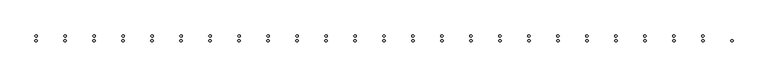
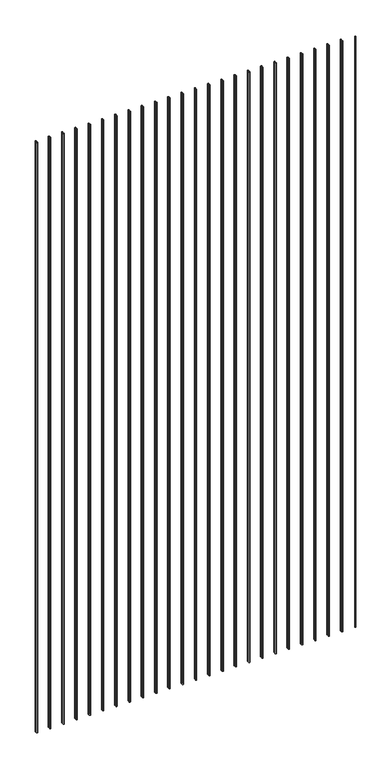
"""IFC4 building model written with IfcOpenShell, lengths in millimetres: railing geometry."""

from ifc_helpers import new_model, si_unit, point, frame, frame_2d, origin, place, context, project, spatial, circle_curve, trimmed, segment, composite_curve, outline, extrude, source, transform, mapped, element, save


def railing_f16c2621(model_context):
    return source(origin(), model_context, "Body", "SweptSolid", [
        extrude(outline(composite_curve([segment(trimmed(circle_curve(frame_2d((2255.44399, -1802.8508363)), 2.0574), [point((2255.44399, -1800.7934363))], [point((2255.44399, -1804.9082363))], False, "CARTESIAN"), True, "CONTINUOUS"), segment(trimmed(circle_curve(frame_2d((2255.44399, -1802.8508363)), 2.0574), [point((2255.44399, -1804.9082363))], [point((2255.44399, -1800.7934363))], False, "CARTESIAN"), True, "CONTINUOUS")], self_intersect=False)), frame((0.0, 0.0, 7620.0), z_axis=(0.0, 0.0, 1.0), x_axis=(1.0, 0.0, 0.0)), (0.0, 0.0, 1.0), 2438.4),
        extrude(outline(composite_curve([segment(trimmed(circle_curve(frame_2d((2203.563139, -1794.6212363)), 2.0574), [point((2203.563139, -1796.6786363))], [point((2203.563139, -1792.5638363))], False, "CARTESIAN"), True, "CONTINUOUS"), segment(trimmed(circle_curve(frame_2d((2203.563139, -1794.6212363)), 2.0574), [point((2203.563139, -1792.5638363))], [point((2203.563139, -1796.6786363))], False, "CARTESIAN"), True, "CONTINUOUS")], self_intersect=False)), frame((0.0, 0.0, 7620.0), z_axis=(0.0, 0.0, 1.0), x_axis=(1.0, 0.0, 0.0)), (0.0, 0.0, 1.0), 2438.4),
        extrude(outline(composite_curve([segment(trimmed(circle_curve(frame_2d((2203.563139, -1802.8508363)), 2.0574), [point((2203.563139, -1800.7934363))], [point((2203.563139, -1804.9082363))], False, "CARTESIAN"), True, "CONTINUOUS"), segment(trimmed(circle_curve(frame_2d((2203.563139, -1802.8508363)), 2.0574), [point((2203.563139, -1804.9082363))], [point((2203.563139, -1800.7934363))], False, "CARTESIAN"), True, "CONTINUOUS")], self_intersect=False)), frame((0.0, 0.0, 7620.0), z_axis=(0.0, 0.0, 1.0), x_axis=(1.0, 0.0, 0.0)), (0.0, 0.0, 1.0), 2438.4),
        extrude(outline(composite_curve([segment(trimmed(circle_curve(frame_2d((2151.6822879, -1794.6212363)), 2.0574), [point((2151.6822879, -1796.6786363))], [point((2151.6822879, -1792.5638363))], False, "CARTESIAN"), True, "CONTINUOUS"), segment(trimmed(circle_curve(frame_2d((2151.6822879, -1794.6212363)), 2.0574), [point((2151.6822879, -1792.5638363))], [point((2151.6822879, -1796.6786363))], False, "CARTESIAN"), True, "CONTINUOUS")], self_intersect=False)), frame((0.0, 0.0, 7620.0), z_axis=(0.0, 0.0, 1.0), x_axis=(1.0, 0.0, 0.0)), (0.0, 0.0, 1.0), 2438.4),
        extrude(outline(composite_curve([segment(trimmed(circle_curve(frame_2d((2151.6822879, -1802.8508363)), 2.0574), [point((2151.6822879, -1800.7934363))], [point((2151.6822879, -1804.9082363))], False, "CARTESIAN"), True, "CONTINUOUS"), segment(trimmed(circle_curve(frame_2d((2151.6822879, -1802.8508363)), 2.0574), [point((2151.6822879, -1804.9082363))], [point((2151.6822879, -1800.7934363))], False, "CARTESIAN"), True, "CONTINUOUS")], self_intersect=False)), frame((0.0, 0.0, 7620.0), z_axis=(0.0, 0.0, 1.0), x_axis=(1.0, 0.0, 0.0)), (0.0, 0.0, 1.0), 2438.4),
        extrude(outline(composite_curve([segment(trimmed(circle_curve(frame_2d((2099.8014369, -1794.6212363)), 2.0574), [point((2099.8014369, -1796.6786363))], [point((2099.8014369, -1792.5638363))], False, "CARTESIAN"), True, "CONTINUOUS"), segment(trimmed(circle_curve(frame_2d((2099.8014369, -1794.6212363)), 2.0574), [point((2099.8014369, -1792.5638363))], [point((2099.8014369, -1796.6786363))], False, "CARTESIAN"), True, "CONTINUOUS")], self_intersect=False)), frame((0.0, 0.0, 7620.0), z_axis=(0.0, 0.0, 1.0), x_axis=(1.0, 0.0, 0.0)), (0.0, 0.0, 1.0), 2438.4),
        extrude(outline(composite_curve([segment(trimmed(circle_curve(frame_2d((2099.8014369, -1802.8508363)), 2.0574), [point((2099.8014369, -1800.7934363))], [point((2099.8014369, -1804.9082363))], False, "CARTESIAN"), True, "CONTINUOUS"), segment(trimmed(circle_curve(frame_2d((2099.8014369, -1802.8508363)), 2.0574), [point((2099.8014369, -1804.9082363))], [point((2099.8014369, -1800.7934363))], False, "CARTESIAN"), True, "CONTINUOUS")], self_intersect=False)), frame((0.0, 0.0, 7620.0), z_axis=(0.0, 0.0, 1.0), x_axis=(1.0, 0.0, 0.0)), (0.0, 0.0, 1.0), 2438.4),
        extrude(outline(composite_curve([segment(trimmed(circle_curve(frame_2d((2047.9205858, -1794.6212363)), 2.0574), [point((2047.9205858, -1796.6786363))], [point((2047.9205858, -1792.5638363))], False, "CARTESIAN"), True, "CONTINUOUS"), segment(trimmed(circle_curve(frame_2d((2047.9205858, -1794.6212363)), 2.0574), [point((2047.9205858, -1792.5638363))], [point((2047.9205858, -1796.6786363))], False, "CARTESIAN"), True, "CONTINUOUS")], self_intersect=False)), frame((0.0, 0.0, 7620.0), z_axis=(0.0, 0.0, 1.0), x_axis=(1.0, 0.0, 0.0)), (0.0, 0.0, 1.0), 2438.4),
        extrude(outline(composite_curve([segment(trimmed(circle_curve(frame_2d((2047.9205858, -1802.8508363)), 2.0574), [point((2047.9205858, -1800.7934363))], [point((2047.9205858, -1804.9082363))], False, "CARTESIAN"), True, "CONTINUOUS"), segment(trimmed(circle_curve(frame_2d((2047.9205858, -1802.8508363)), 2.0574), [point((2047.9205858, -1804.9082363))], [point((2047.9205858, -1800.7934363))], False, "CARTESIAN"), True, "CONTINUOUS")], self_intersect=False)), frame((0.0, 0.0, 7620.0), z_axis=(0.0, 0.0, 1.0), x_axis=(1.0, 0.0, 0.0)), (0.0, 0.0, 1.0), 2438.4),
        extrude(outline(composite_curve([segment(trimmed(circle_curve(frame_2d((1996.0397347, -1794.6212363)), 2.0574), [point((1996.0397347, -1796.6786363))], [point((1996.0397347, -1792.5638363))], False, "CARTESIAN"), True, "CONTINUOUS"), segment(trimmed(circle_curve(frame_2d((1996.0397347, -1794.6212363)), 2.0574), [point((1996.0397347, -1792.5638363))], [point((1996.0397347, -1796.6786363))], False, "CARTESIAN"), True, "CONTINUOUS")], self_intersect=False)), frame((0.0, 0.0, 7620.0), z_axis=(0.0, 0.0, 1.0), x_axis=(1.0, 0.0, 0.0)), (0.0, 0.0, 1.0), 2438.4),
        extrude(outline(composite_curve([segment(trimmed(circle_curve(frame_2d((1996.0397347, -1802.8508363)), 2.0574), [point((1996.0397347, -1800.7934363))], [point((1996.0397347, -1804.9082363))], False, "CARTESIAN"), True, "CONTINUOUS"), segment(trimmed(circle_curve(frame_2d((1996.0397347, -1802.8508363)), 2.0574), [point((1996.0397347, -1804.9082363))], [point((1996.0397347, -1800.7934363))], False, "CARTESIAN"), True, "CONTINUOUS")], self_intersect=False)), frame((0.0, 0.0, 7620.0), z_axis=(0.0, 0.0, 1.0), x_axis=(1.0, 0.0, 0.0)), (0.0, 0.0, 1.0), 2438.4),
        extrude(outline(composite_curve([segment(trimmed(circle_curve(frame_2d((1944.1588837, -1794.6212363)), 2.0574), [point((1944.1588837, -1796.6786363))], [point((1944.1588837, -1792.5638363))], False, "CARTESIAN"), True, "CONTINUOUS"), segment(trimmed(circle_curve(frame_2d((1944.1588837, -1794.6212363)), 2.0574), [point((1944.1588837, -1792.5638363))], [point((1944.1588837, -1796.6786363))], False, "CARTESIAN"), True, "CONTINUOUS")], self_intersect=False)), frame((0.0, 0.0, 7620.0), z_axis=(0.0, 0.0, 1.0), x_axis=(1.0, 0.0, 0.0)), (0.0, 0.0, 1.0), 2438.4),
        extrude(outline(composite_curve([segment(trimmed(circle_curve(frame_2d((1944.1588837, -1802.8508363)), 2.0574), [point((1944.1588837, -1800.7934363))], [point((1944.1588837, -1804.9082363))], False, "CARTESIAN"), True, "CONTINUOUS"), segment(trimmed(circle_curve(frame_2d((1944.1588837, -1802.8508363)), 2.0574), [point((1944.1588837, -1804.9082363))], [point((1944.1588837, -1800.7934363))], False, "CARTESIAN"), True, "CONTINUOUS")], self_intersect=False)), frame((0.0, 0.0, 7620.0), z_axis=(0.0, 0.0, 1.0), x_axis=(1.0, 0.0, 0.0)), (0.0, 0.0, 1.0), 2438.4),
        extrude(outline(composite_curve([segment(trimmed(circle_curve(frame_2d((1892.2780326, -1794.6212363)), 2.0574), [point((1892.2780326, -1796.6786363))], [point((1892.2780326, -1792.5638363))], False, "CARTESIAN"), True, "CONTINUOUS"), segment(trimmed(circle_curve(frame_2d((1892.2780326, -1794.6212363)), 2.0574), [point((1892.2780326, -1792.5638363))], [point((1892.2780326, -1796.6786363))], False, "CARTESIAN"), True, "CONTINUOUS")], self_intersect=False)), frame((0.0, 0.0, 7620.0), z_axis=(0.0, 0.0, 1.0), x_axis=(1.0, 0.0, 0.0)), (0.0, 0.0, 1.0), 2438.4),
        extrude(outline(composite_curve([segment(trimmed(circle_curve(frame_2d((1892.2780326, -1802.8508363)), 2.0574), [point((1892.2780326, -1800.7934363))], [point((1892.2780326, -1804.9082363))], False, "CARTESIAN"), True, "CONTINUOUS"), segment(trimmed(circle_curve(frame_2d((1892.2780326, -1802.8508363)), 2.0574), [point((1892.2780326, -1804.9082363))], [point((1892.2780326, -1800.7934363))], False, "CARTESIAN"), True, "CONTINUOUS")], self_intersect=False)), frame((0.0, 0.0, 7620.0), z_axis=(0.0, 0.0, 1.0), x_axis=(1.0, 0.0, 0.0)), (0.0, 0.0, 1.0), 2438.4),
        extrude(outline(composite_curve([segment(trimmed(circle_curve(frame_2d((1840.3971815, -1794.6212363)), 2.0574), [point((1840.3971815, -1796.6786363))], [point((1840.3971815, -1792.5638363))], False, "CARTESIAN"), True, "CONTINUOUS"), segment(trimmed(circle_curve(frame_2d((1840.3971815, -1794.6212363)), 2.0574), [point((1840.3971815, -1792.5638363))], [point((1840.3971815, -1796.6786363))], False, "CARTESIAN"), True, "CONTINUOUS")], self_intersect=False)), frame((0.0, 0.0, 7620.0), z_axis=(0.0, 0.0, 1.0), x_axis=(1.0, 0.0, 0.0)), (0.0, 0.0, 1.0), 2438.4),
        extrude(outline(composite_curve([segment(trimmed(circle_curve(frame_2d((1840.3971815, -1802.8508363)), 2.0574), [point((1840.3971815, -1800.7934363))], [point((1840.3971815, -1804.9082363))], False, "CARTESIAN"), True, "CONTINUOUS"), segment(trimmed(circle_curve(frame_2d((1840.3971815, -1802.8508363)), 2.0574), [point((1840.3971815, -1804.9082363))], [point((1840.3971815, -1800.7934363))], False, "CARTESIAN"), True, "CONTINUOUS")], self_intersect=False)), frame((0.0, 0.0, 7620.0), z_axis=(0.0, 0.0, 1.0), x_axis=(1.0, 0.0, 0.0)), (0.0, 0.0, 1.0), 2438.4),
        extrude(outline(composite_curve([segment(trimmed(circle_curve(frame_2d((1788.5163305, -1794.6212363)), 2.0574), [point((1788.5163305, -1796.6786363))], [point((1788.5163305, -1792.5638363))], False, "CARTESIAN"), True, "CONTINUOUS"), segment(trimmed(circle_curve(frame_2d((1788.5163305, -1794.6212363)), 2.0574), [point((1788.5163305, -1792.5638363))], [point((1788.5163305, -1796.6786363))], False, "CARTESIAN"), True, "CONTINUOUS")], self_intersect=False)), frame((0.0, 0.0, 7620.0), z_axis=(0.0, 0.0, 1.0), x_axis=(1.0, 0.0, 0.0)), (0.0, 0.0, 1.0), 2438.4),
        extrude(outline(composite_curve([segment(trimmed(circle_curve(frame_2d((1788.5163305, -1802.8508363)), 2.0574), [point((1788.5163305, -1800.7934363))], [point((1788.5163305, -1804.9082363))], False, "CARTESIAN"), True, "CONTINUOUS"), segment(trimmed(circle_curve(frame_2d((1788.5163305, -1802.8508363)), 2.0574), [point((1788.5163305, -1804.9082363))], [point((1788.5163305, -1800.7934363))], False, "CARTESIAN"), True, "CONTINUOUS")], self_intersect=False)), frame((0.0, 0.0, 7620.0), z_axis=(0.0, 0.0, 1.0), x_axis=(1.0, 0.0, 0.0)), (0.0, 0.0, 1.0), 2438.4),
        extrude(outline(composite_curve([segment(trimmed(circle_curve(frame_2d((1736.6354794, -1794.6212363)), 2.0574), [point((1736.6354794, -1796.6786363))], [point((1736.6354794, -1792.5638363))], False, "CARTESIAN"), True, "CONTINUOUS"), segment(trimmed(circle_curve(frame_2d((1736.6354794, -1794.6212363)), 2.0574), [point((1736.6354794, -1792.5638363))], [point((1736.6354794, -1796.6786363))], False, "CARTESIAN"), True, "CONTINUOUS")], self_intersect=False)), frame((0.0, 0.0, 7620.0), z_axis=(0.0, 0.0, 1.0), x_axis=(1.0, 0.0, 0.0)), (0.0, 0.0, 1.0), 2438.4),
        extrude(outline(composite_curve([segment(trimmed(circle_curve(frame_2d((1736.6354794, -1802.8508363)), 2.0574), [point((1736.6354794, -1800.7934363))], [point((1736.6354794, -1804.9082363))], False, "CARTESIAN"), True, "CONTINUOUS"), segment(trimmed(circle_curve(frame_2d((1736.6354794, -1802.8508363)), 2.0574), [point((1736.6354794, -1804.9082363))], [point((1736.6354794, -1800.7934363))], False, "CARTESIAN"), True, "CONTINUOUS")], self_intersect=False)), frame((0.0, 0.0, 7620.0), z_axis=(0.0, 0.0, 1.0), x_axis=(1.0, 0.0, 0.0)), (0.0, 0.0, 1.0), 2438.4),
        extrude(outline(composite_curve([segment(trimmed(circle_curve(frame_2d((1684.7546283, -1794.6212363)), 2.0574), [point((1684.7546283, -1796.6786363))], [point((1684.7546283, -1792.5638363))], False, "CARTESIAN"), True, "CONTINUOUS"), segment(trimmed(circle_curve(frame_2d((1684.7546283, -1794.6212363)), 2.0574), [point((1684.7546283, -1792.5638363))], [point((1684.7546283, -1796.6786363))], False, "CARTESIAN"), True, "CONTINUOUS")], self_intersect=False)), frame((0.0, 0.0, 7620.0), z_axis=(0.0, 0.0, 1.0), x_axis=(1.0, 0.0, 0.0)), (0.0, 0.0, 1.0), 2438.4),
        extrude(outline(composite_curve([segment(trimmed(circle_curve(frame_2d((1684.7546283, -1802.8508363)), 2.0574), [point((1684.7546283, -1800.7934363))], [point((1684.7546283, -1804.9082363))], False, "CARTESIAN"), True, "CONTINUOUS"), segment(trimmed(circle_curve(frame_2d((1684.7546283, -1802.8508363)), 2.0574), [point((1684.7546283, -1804.9082363))], [point((1684.7546283, -1800.7934363))], False, "CARTESIAN"), True, "CONTINUOUS")], self_intersect=False)), frame((0.0, 0.0, 7620.0), z_axis=(0.0, 0.0, 1.0), x_axis=(1.0, 0.0, 0.0)), (0.0, 0.0, 1.0), 2438.4),
        extrude(outline(composite_curve([segment(trimmed(circle_curve(frame_2d((1632.8737773, -1794.6212363)), 2.0574), [point((1632.8737773, -1796.6786363))], [point((1632.8737773, -1792.5638363))], False, "CARTESIAN"), True, "CONTINUOUS"), segment(trimmed(circle_curve(frame_2d((1632.8737773, -1794.6212363)), 2.0574), [point((1632.8737773, -1792.5638363))], [point((1632.8737773, -1796.6786363))], False, "CARTESIAN"), True, "CONTINUOUS")], self_intersect=False)), frame((0.0, 0.0, 7620.0), z_axis=(0.0, 0.0, 1.0), x_axis=(1.0, 0.0, 0.0)), (0.0, 0.0, 1.0), 2438.4),
        extrude(outline(composite_curve([segment(trimmed(circle_curve(frame_2d((1632.8737773, -1802.8508363)), 2.0574), [point((1632.8737773, -1800.7934363))], [point((1632.8737773, -1804.9082363))], False, "CARTESIAN"), True, "CONTINUOUS"), segment(trimmed(circle_curve(frame_2d((1632.8737773, -1802.8508363)), 2.0574), [point((1632.8737773, -1804.9082363))], [point((1632.8737773, -1800.7934363))], False, "CARTESIAN"), True, "CONTINUOUS")], self_intersect=False)), frame((0.0, 0.0, 7620.0), z_axis=(0.0, 0.0, 1.0), x_axis=(1.0, 0.0, 0.0)), (0.0, 0.0, 1.0), 2438.4),
        extrude(outline(composite_curve([segment(trimmed(circle_curve(frame_2d((1580.9929262, -1794.6212363)), 2.0574), [point((1580.9929262, -1796.6786363))], [point((1580.9929262, -1792.5638363))], False, "CARTESIAN"), True, "CONTINUOUS"), segment(trimmed(circle_curve(frame_2d((1580.9929262, -1794.6212363)), 2.0574), [point((1580.9929262, -1792.5638363))], [point((1580.9929262, -1796.6786363))], False, "CARTESIAN"), True, "CONTINUOUS")], self_intersect=False)), frame((0.0, 0.0, 7620.0), z_axis=(0.0, 0.0, 1.0), x_axis=(1.0, 0.0, 0.0)), (0.0, 0.0, 1.0), 2438.4),
        extrude(outline(composite_curve([segment(trimmed(circle_curve(frame_2d((1580.9929262, -1802.8508363)), 2.0574), [point((1580.9929262, -1800.7934363))], [point((1580.9929262, -1804.9082363))], False, "CARTESIAN"), True, "CONTINUOUS"), segment(trimmed(circle_curve(frame_2d((1580.9929262, -1802.8508363)), 2.0574), [point((1580.9929262, -1804.9082363))], [point((1580.9929262, -1800.7934363))], False, "CARTESIAN"), True, "CONTINUOUS")], self_intersect=False)), frame((0.0, 0.0, 7620.0), z_axis=(0.0, 0.0, 1.0), x_axis=(1.0, 0.0, 0.0)), (0.0, 0.0, 1.0), 2438.4),
        extrude(outline(composite_curve([segment(trimmed(circle_curve(frame_2d((1529.1120752, -1794.6212363)), 2.0574), [point((1529.1120752, -1796.6786363))], [point((1529.1120752, -1792.5638363))], False, "CARTESIAN"), True, "CONTINUOUS"), segment(trimmed(circle_curve(frame_2d((1529.1120752, -1794.6212363)), 2.0574), [point((1529.1120752, -1792.5638363))], [point((1529.1120752, -1796.6786363))], False, "CARTESIAN"), True, "CONTINUOUS")], self_intersect=False)), frame((0.0, 0.0, 7620.0), z_axis=(0.0, 0.0, 1.0), x_axis=(1.0, 0.0, 0.0)), (0.0, 0.0, 1.0), 2438.4),
        extrude(outline(composite_curve([segment(trimmed(circle_curve(frame_2d((1529.1120752, -1802.8508363)), 2.0574), [point((1529.1120752, -1800.7934363))], [point((1529.1120752, -1804.9082363))], False, "CARTESIAN"), True, "CONTINUOUS"), segment(trimmed(circle_curve(frame_2d((1529.1120752, -1802.8508363)), 2.0574), [point((1529.1120752, -1804.9082363))], [point((1529.1120752, -1800.7934363))], False, "CARTESIAN"), True, "CONTINUOUS")], self_intersect=False)), frame((0.0, 0.0, 7620.0), z_axis=(0.0, 0.0, 1.0), x_axis=(1.0, 0.0, 0.0)), (0.0, 0.0, 1.0), 2438.4),
        extrude(outline(composite_curve([segment(trimmed(circle_curve(frame_2d((1477.2312241, -1794.6212363)), 2.0574), [point((1477.2312241, -1796.6786363))], [point((1477.2312241, -1792.5638363))], False, "CARTESIAN"), True, "CONTINUOUS"), segment(trimmed(circle_curve(frame_2d((1477.2312241, -1794.6212363)), 2.0574), [point((1477.2312241, -1792.5638363))], [point((1477.2312241, -1796.6786363))], False, "CARTESIAN"), True, "CONTINUOUS")], self_intersect=False)), frame((0.0, 0.0, 7620.0), z_axis=(0.0, 0.0, 1.0), x_axis=(1.0, 0.0, 0.0)), (0.0, 0.0, 1.0), 2438.4),
        extrude(outline(composite_curve([segment(trimmed(circle_curve(frame_2d((1477.2312241, -1802.8508363)), 2.0574), [point((1477.2312241, -1800.7934363))], [point((1477.2312241, -1804.9082363))], False, "CARTESIAN"), True, "CONTINUOUS"), segment(trimmed(circle_curve(frame_2d((1477.2312241, -1802.8508363)), 2.0574), [point((1477.2312241, -1804.9082363))], [point((1477.2312241, -1800.7934363))], False, "CARTESIAN"), True, "CONTINUOUS")], self_intersect=False)), frame((0.0, 0.0, 7620.0), z_axis=(0.0, 0.0, 1.0), x_axis=(1.0, 0.0, 0.0)), (0.0, 0.0, 1.0), 2438.4),
        extrude(outline(composite_curve([segment(trimmed(circle_curve(frame_2d((1425.350373, -1794.6212363)), 2.0574), [point((1425.350373, -1796.6786363))], [point((1425.350373, -1792.5638363))], False, "CARTESIAN"), True, "CONTINUOUS"), segment(trimmed(circle_curve(frame_2d((1425.350373, -1794.6212363)), 2.0574), [point((1425.350373, -1792.5638363))], [point((1425.350373, -1796.6786363))], False, "CARTESIAN"), True, "CONTINUOUS")], self_intersect=False)), frame((0.0, 0.0, 7620.0), z_axis=(0.0, 0.0, 1.0), x_axis=(1.0, 0.0, 0.0)), (0.0, 0.0, 1.0), 2438.4),
        extrude(outline(composite_curve([segment(trimmed(circle_curve(frame_2d((1425.350373, -1802.8508363)), 2.0574), [point((1425.350373, -1800.7934363))], [point((1425.350373, -1804.9082363))], False, "CARTESIAN"), True, "CONTINUOUS"), segment(trimmed(circle_curve(frame_2d((1425.350373, -1802.8508363)), 2.0574), [point((1425.350373, -1804.9082363))], [point((1425.350373, -1800.7934363))], False, "CARTESIAN"), True, "CONTINUOUS")], self_intersect=False)), frame((0.0, 0.0, 7620.0), z_axis=(0.0, 0.0, 1.0), x_axis=(1.0, 0.0, 0.0)), (0.0, 0.0, 1.0), 2438.4),
        extrude(outline(composite_curve([segment(trimmed(circle_curve(frame_2d((1373.469522, -1794.6212363)), 2.0574), [point((1373.469522, -1796.6786363))], [point((1373.469522, -1792.5638363))], False, "CARTESIAN"), True, "CONTINUOUS"), segment(trimmed(circle_curve(frame_2d((1373.469522, -1794.6212363)), 2.0574), [point((1373.469522, -1792.5638363))], [point((1373.469522, -1796.6786363))], False, "CARTESIAN"), True, "CONTINUOUS")], self_intersect=False)), frame((0.0, 0.0, 7620.0), z_axis=(0.0, 0.0, 1.0), x_axis=(1.0, 0.0, 0.0)), (0.0, 0.0, 1.0), 2438.4),
        extrude(outline(composite_curve([segment(trimmed(circle_curve(frame_2d((1373.469522, -1802.8508363)), 2.0574), [point((1373.469522, -1800.7934363))], [point((1373.469522, -1804.9082363))], False, "CARTESIAN"), True, "CONTINUOUS"), segment(trimmed(circle_curve(frame_2d((1373.469522, -1802.8508363)), 2.0574), [point((1373.469522, -1804.9082363))], [point((1373.469522, -1800.7934363))], False, "CARTESIAN"), True, "CONTINUOUS")], self_intersect=False)), frame((0.0, 0.0, 7620.0), z_axis=(0.0, 0.0, 1.0), x_axis=(1.0, 0.0, 0.0)), (0.0, 0.0, 1.0), 2438.4),
        extrude(outline(composite_curve([segment(trimmed(circle_curve(frame_2d((1321.5886709, -1794.6212363)), 2.0574), [point((1321.5886709, -1796.6786363))], [point((1321.5886709, -1792.5638363))], False, "CARTESIAN"), True, "CONTINUOUS"), segment(trimmed(circle_curve(frame_2d((1321.5886709, -1794.6212363)), 2.0574), [point((1321.5886709, -1792.5638363))], [point((1321.5886709, -1796.6786363))], False, "CARTESIAN"), True, "CONTINUOUS")], self_intersect=False)), frame((0.0, 0.0, 7620.0), z_axis=(0.0, 0.0, 1.0), x_axis=(1.0, 0.0, 0.0)), (0.0, 0.0, 1.0), 2438.4),
        extrude(outline(composite_curve([segment(trimmed(circle_curve(frame_2d((1321.5886709, -1802.8508363)), 2.0574), [point((1321.5886709, -1800.7934363))], [point((1321.5886709, -1804.9082363))], False, "CARTESIAN"), True, "CONTINUOUS"), segment(trimmed(circle_curve(frame_2d((1321.5886709, -1802.8508363)), 2.0574), [point((1321.5886709, -1804.9082363))], [point((1321.5886709, -1800.7934363))], False, "CARTESIAN"), True, "CONTINUOUS")], self_intersect=False)), frame((0.0, 0.0, 7620.0), z_axis=(0.0, 0.0, 1.0), x_axis=(1.0, 0.0, 0.0)), (0.0, 0.0, 1.0), 2438.4),
        extrude(outline(composite_curve([segment(trimmed(circle_curve(frame_2d((1269.7078198, -1794.6212363)), 2.0574), [point((1269.7078198, -1796.6786363))], [point((1269.7078198, -1792.5638363))], False, "CARTESIAN"), True, "CONTINUOUS"), segment(trimmed(circle_curve(frame_2d((1269.7078198, -1794.6212363)), 2.0574), [point((1269.7078198, -1792.5638363))], [point((1269.7078198, -1796.6786363))], False, "CARTESIAN"), True, "CONTINUOUS")], self_intersect=False)), frame((0.0, 0.0, 7620.0), z_axis=(0.0, 0.0, 1.0), x_axis=(1.0, 0.0, 0.0)), (0.0, 0.0, 1.0), 2438.4),
        extrude(outline(composite_curve([segment(trimmed(circle_curve(frame_2d((1269.7078198, -1802.8508363)), 2.0574), [point((1269.7078198, -1800.7934363))], [point((1269.7078198, -1804.9082363))], False, "CARTESIAN"), True, "CONTINUOUS"), segment(trimmed(circle_curve(frame_2d((1269.7078198, -1802.8508363)), 2.0574), [point((1269.7078198, -1804.9082363))], [point((1269.7078198, -1800.7934363))], False, "CARTESIAN"), True, "CONTINUOUS")], self_intersect=False)), frame((0.0, 0.0, 7620.0), z_axis=(0.0, 0.0, 1.0), x_axis=(1.0, 0.0, 0.0)), (0.0, 0.0, 1.0), 2438.4),
        extrude(outline(composite_curve([segment(trimmed(circle_curve(frame_2d((1217.8269688, -1794.6212363)), 2.0574), [point((1217.8269688, -1796.6786363))], [point((1217.8269688, -1792.5638363))], False, "CARTESIAN"), True, "CONTINUOUS"), segment(trimmed(circle_curve(frame_2d((1217.8269688, -1794.6212363)), 2.0574), [point((1217.8269688, -1792.5638363))], [point((1217.8269688, -1796.6786363))], False, "CARTESIAN"), True, "CONTINUOUS")], self_intersect=False)), frame((0.0, 0.0, 7620.0), z_axis=(0.0, 0.0, 1.0), x_axis=(1.0, 0.0, 0.0)), (0.0, 0.0, 1.0), 2438.4),
        extrude(outline(composite_curve([segment(trimmed(circle_curve(frame_2d((1217.8269688, -1802.8508363)), 2.0574), [point((1217.8269688, -1800.7934363))], [point((1217.8269688, -1804.9082363))], False, "CARTESIAN"), True, "CONTINUOUS"), segment(trimmed(circle_curve(frame_2d((1217.8269688, -1802.8508363)), 2.0574), [point((1217.8269688, -1804.9082363))], [point((1217.8269688, -1800.7934363))], False, "CARTESIAN"), True, "CONTINUOUS")], self_intersect=False)), frame((0.0, 0.0, 7620.0), z_axis=(0.0, 0.0, 1.0), x_axis=(1.0, 0.0, 0.0)), (0.0, 0.0, 1.0), 2438.4),
        extrude(outline(composite_curve([segment(trimmed(circle_curve(frame_2d((1165.9461177, -1794.6212363)), 2.0574), [point((1165.9461177, -1796.6786363))], [point((1165.9461177, -1792.5638363))], False, "CARTESIAN"), True, "CONTINUOUS"), segment(trimmed(circle_curve(frame_2d((1165.9461177, -1794.6212363)), 2.0574), [point((1165.9461177, -1792.5638363))], [point((1165.9461177, -1796.6786363))], False, "CARTESIAN"), True, "CONTINUOUS")], self_intersect=False)), frame((0.0, 0.0, 7620.0), z_axis=(0.0, 0.0, 1.0), x_axis=(1.0, 0.0, 0.0)), (0.0, 0.0, 1.0), 2438.4),
        extrude(outline(composite_curve([segment(trimmed(circle_curve(frame_2d((1165.9461177, -1802.8508363)), 2.0574), [point((1165.9461177, -1800.7934363))], [point((1165.9461177, -1804.9082363))], False, "CARTESIAN"), True, "CONTINUOUS"), segment(trimmed(circle_curve(frame_2d((1165.9461177, -1802.8508363)), 2.0574), [point((1165.9461177, -1804.9082363))], [point((1165.9461177, -1800.7934363))], False, "CARTESIAN"), True, "CONTINUOUS")], self_intersect=False)), frame((0.0, 0.0, 7620.0), z_axis=(0.0, 0.0, 1.0), x_axis=(1.0, 0.0, 0.0)), (0.0, 0.0, 1.0), 2438.4),
        extrude(outline(composite_curve([segment(trimmed(circle_curve(frame_2d((1114.0652666, -1794.6212363)), 2.0574), [point((1114.0652666, -1796.6786363))], [point((1114.0652666, -1792.5638363))], False, "CARTESIAN"), True, "CONTINUOUS"), segment(trimmed(circle_curve(frame_2d((1114.0652666, -1794.6212363)), 2.0574), [point((1114.0652666, -1792.5638363))], [point((1114.0652666, -1796.6786363))], False, "CARTESIAN"), True, "CONTINUOUS")], self_intersect=False)), frame((0.0, 0.0, 7620.0), z_axis=(0.0, 0.0, 1.0), x_axis=(1.0, 0.0, 0.0)), (0.0, 0.0, 1.0), 2438.4),
        extrude(outline(composite_curve([segment(trimmed(circle_curve(frame_2d((1114.0652666, -1802.8508363)), 2.0574), [point((1114.0652666, -1800.7934363))], [point((1114.0652666, -1804.9082363))], False, "CARTESIAN"), True, "CONTINUOUS"), segment(trimmed(circle_curve(frame_2d((1114.0652666, -1802.8508363)), 2.0574), [point((1114.0652666, -1804.9082363))], [point((1114.0652666, -1800.7934363))], False, "CARTESIAN"), True, "CONTINUOUS")], self_intersect=False)), frame((0.0, 0.0, 7620.0), z_axis=(0.0, 0.0, 1.0), x_axis=(1.0, 0.0, 0.0)), (0.0, 0.0, 1.0), 2438.4),
        extrude(outline(composite_curve([segment(trimmed(circle_curve(frame_2d((1062.1844156, -1794.6212363)), 2.0574), [point((1062.1844156, -1796.6786363))], [point((1062.1844156, -1792.5638363))], False, "CARTESIAN"), True, "CONTINUOUS"), segment(trimmed(circle_curve(frame_2d((1062.1844156, -1794.6212363)), 2.0574), [point((1062.1844156, -1792.5638363))], [point((1062.1844156, -1796.6786363))], False, "CARTESIAN"), True, "CONTINUOUS")], self_intersect=False)), frame((0.0, 0.0, 7620.0), z_axis=(0.0, 0.0, 1.0), x_axis=(1.0, 0.0, 0.0)), (0.0, 0.0, 1.0), 2438.4),
        extrude(outline(composite_curve([segment(trimmed(circle_curve(frame_2d((1062.1844156, -1802.8508363)), 2.0574), [point((1062.1844156, -1800.7934363))], [point((1062.1844156, -1804.9082363))], False, "CARTESIAN"), True, "CONTINUOUS"), segment(trimmed(circle_curve(frame_2d((1062.1844156, -1802.8508363)), 2.0574), [point((1062.1844156, -1804.9082363))], [point((1062.1844156, -1800.7934363))], False, "CARTESIAN"), True, "CONTINUOUS")], self_intersect=False)), frame((0.0, 0.0, 7620.0), z_axis=(0.0, 0.0, 1.0), x_axis=(1.0, 0.0, 0.0)), (0.0, 0.0, 1.0), 2438.4),
        extrude(outline(composite_curve([segment(trimmed(circle_curve(frame_2d((1010.3035645, -1794.6212363)), 2.0574), [point((1010.3035645, -1796.6786363))], [point((1010.3035645, -1792.5638363))], False, "CARTESIAN"), True, "CONTINUOUS"), segment(trimmed(circle_curve(frame_2d((1010.3035645, -1794.6212363)), 2.0574), [point((1010.3035645, -1792.5638363))], [point((1010.3035645, -1796.6786363))], False, "CARTESIAN"), True, "CONTINUOUS")], self_intersect=False)), frame((0.0, 0.0, 7620.0), z_axis=(0.0, 0.0, 1.0), x_axis=(1.0, 0.0, 0.0)), (0.0, 0.0, 1.0), 2438.4),
        extrude(outline(composite_curve([segment(trimmed(circle_curve(frame_2d((1010.3035645, -1802.8508363)), 2.0574), [point((1010.3035645, -1800.7934363))], [point((1010.3035645, -1804.9082363))], False, "CARTESIAN"), True, "CONTINUOUS"), segment(trimmed(circle_curve(frame_2d((1010.3035645, -1802.8508363)), 2.0574), [point((1010.3035645, -1804.9082363))], [point((1010.3035645, -1800.7934363))], False, "CARTESIAN"), True, "CONTINUOUS")], self_intersect=False)), frame((0.0, 0.0, 7620.0), z_axis=(0.0, 0.0, 1.0), x_axis=(1.0, 0.0, 0.0)), (0.0, 0.0, 1.0), 2438.4),
    ])


if __name__ == "__main__":
    model = new_model("IFC4")
    model_context = context("Model", 3, world=origin())
    ifc_project = project(units=[si_unit("LENGTHUNIT", "METRE", prefix="MILLI")], contexts=[model_context])
    site = spatial("IfcSite", under=ifc_project)
    building = spatial("IfcBuilding", under=site)
    placement = place(None, origin())
    railing_shape = railing_f16c2621(model_context)
    element("IfcRailing", 1, at=placement, inside=building, context=model_context, shape_type="MappedRepresentation", body=[
        mapped(railing_shape, transform((0.0, 0.0, 0.0), x_axis=(1.0, 0.0, 0.0), y_axis=(0.0, 1.0, 0.0), z_axis=(0.0, 0.0, 1.0))),
    ])
    save(model, "model.ifc")
